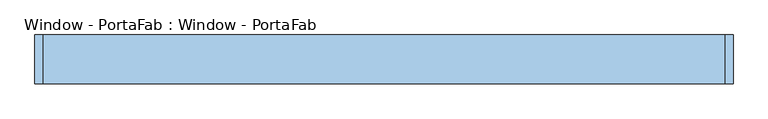
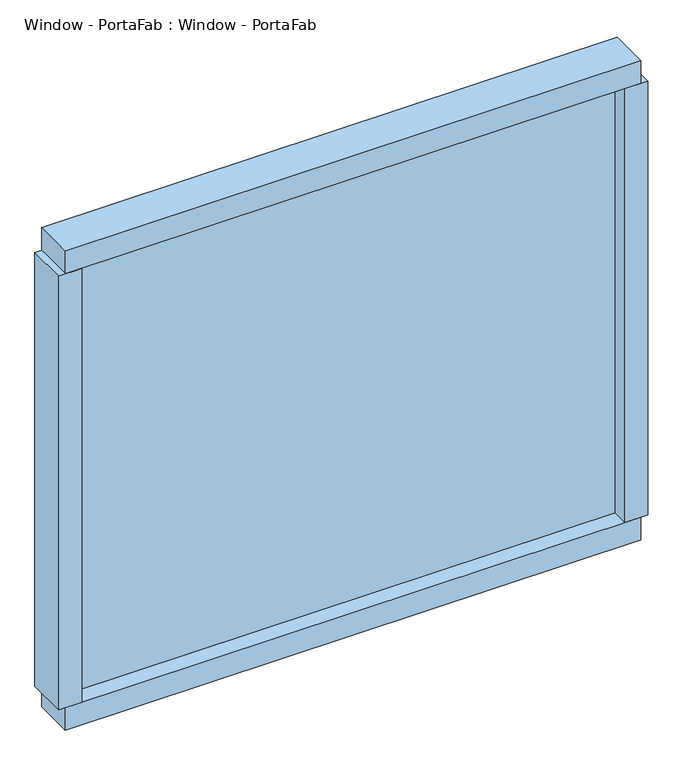
"""IFC4 building model written with IfcOpenShell, lengths in millimetres: window geometry, Window - PortaFab : Window - PortaFab."""

from ifc_helpers import new_model, si_unit, frame, origin, place, context, project, spatial, polyline, outline, extrude, source, transform, mapped, element, save


def window_portafab_window_portafab_402c1e3c(model_context):
    return source(origin(), model_context, "Body", "SweptSolid", [
        extrude(outline(polyline([(515.9375, -6.35), (-490.5375, -6.35), (-490.5375, 0.0), (515.9375, 0.0), (515.9375, -6.35)])), frame((0.0, 0.0, 1104.9), z_axis=(0.0, 0.0, 1.0), x_axis=(1.0, 0.0, 0.0)), (0.0, 0.0, 1.0), 850.9),
        extrude(outline(polyline([(558.8, -38.1), (515.9375, -38.1), (515.9375, 38.1), (558.8, 38.1), (558.8, -38.1)])), frame((0.0, 0.0, 1104.9), z_axis=(0.0, 0.0, 1.0), x_axis=(1.0, 0.0, 0.0)), (0.0, 0.0, 1.0), 850.9),
        extrude(outline(polyline([(-490.5375, -38.1), (-533.4, -38.1), (-533.4, 38.1), (-490.5375, 38.1), (-490.5375, -38.1)])), frame((0.0, 0.0, 1104.9), z_axis=(0.0, 0.0, 1.0), x_axis=(1.0, 0.0, 0.0)), (0.0, 0.0, 1.0), 850.9),
        extrude(outline(polyline([(546.1, -38.1), (-520.7, -38.1), (-520.7, 38.1), (546.1, 38.1), (546.1, -38.1)])), frame((0.0, 0.0, 1060.45), z_axis=(0.0, 0.0, 1.0), x_axis=(1.0, 0.0, 0.0)), (0.0, 0.0, 1.0), 44.45),
        extrude(outline(polyline([(546.1, -38.1), (-520.7, -38.1), (-520.7, 38.1), (546.1, 38.1), (546.1, -38.1)])), frame((0.0, 0.0, 1955.8), z_axis=(0.0, 0.0, 1.0), x_axis=(1.0, 0.0, 0.0)), (0.0, 0.0, 1.0), 44.45),
    ])


if __name__ == "__main__":
    model = new_model("IFC4")
    model_context = context("Model", 3, world=origin())
    ifc_project = project(units=[si_unit("LENGTHUNIT", "METRE", prefix="MILLI")], contexts=[model_context])
    site = spatial("IfcSite", under=ifc_project)
    building = spatial("IfcBuilding", under=site)
    placement = place(None, origin())
    window_portafab_window_portafab_shape = window_portafab_window_portafab_402c1e3c(model_context)
    element("IfcWindow", 1, ObjectType="Window - PortaFab : Window - PortaFab", at=placement, inside=building, context=model_context, shape_type="MappedRepresentation", body=[
        mapped(window_portafab_window_portafab_shape, transform((0.0, 0.0, 0.0), x_axis=(1.0, 0.0, 0.0), y_axis=(0.0, 1.0, 0.0), z_axis=(0.0, 0.0, 1.0))),
    ])
    save(model, "model.ifc")
